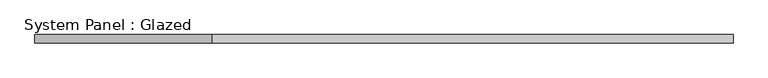
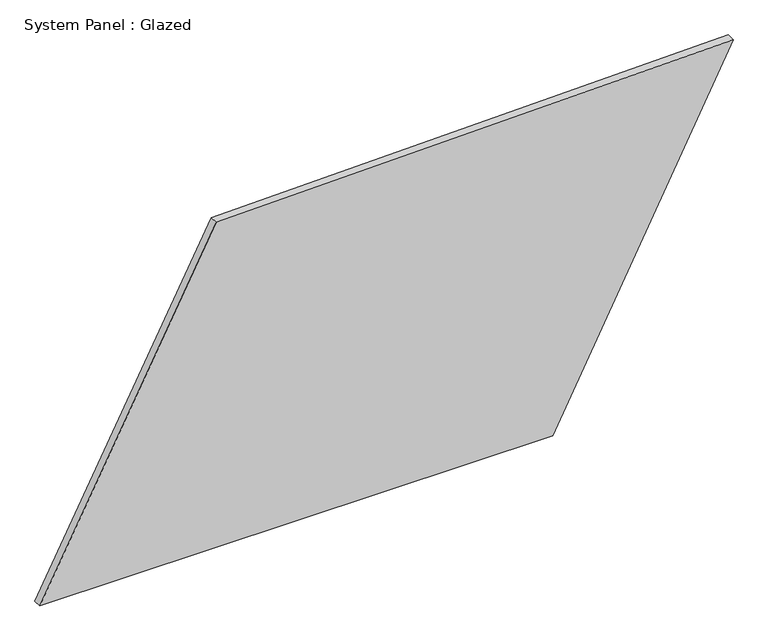
"""IFC4 building model written with IfcOpenShell, lengths in millimetres: plate geometry, System Panel : Glazed."""

from ifc_helpers import new_model, si_unit, frame, origin, place, context, project, spatial, polyline, outline, extrude, source, transform, mapped, element, save


def system_panel_glazed_8758abe0(model_context):
    return source(origin(), model_context, "Body", "SweptSolid", [
        extrude(outline(polyline([(0.0, -1033.0538371), (0.0, 496.3431385), (1060.2020967, 1033.0538371), (1023.9943556, -507.6964893), (0.0, -1033.0538371)])), frame((0.0, -49.5, 0.0), z_axis=(0.0, 1.0, 0.0), x_axis=(0.0, 0.0, 1.0)), (0.0, 0.0, 1.0), 25.0),
    ])


if __name__ == "__main__":
    model = new_model("IFC4")
    model_context = context("Model", 3, world=origin())
    ifc_project = project(units=[si_unit("LENGTHUNIT", "METRE", prefix="MILLI")], contexts=[model_context])
    site = spatial("IfcSite", under=ifc_project)
    building = spatial("IfcBuilding", under=site)
    placement = place(None, origin())
    system_panel_glazed_shape = system_panel_glazed_8758abe0(model_context)
    element("IfcPlate", 1, ObjectType="System Panel : Glazed", at=placement, inside=building, context=model_context, shape_type="MappedRepresentation", body=[
        mapped(system_panel_glazed_shape, transform((0.0, 0.0, 0.0), x_axis=(1.0, 0.0, 0.0), y_axis=(0.0, 1.0, 0.0), z_axis=(0.0, 0.0, 1.0))),
    ])
    save(model, "model.ifc")
